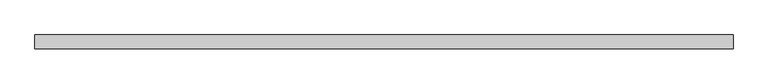
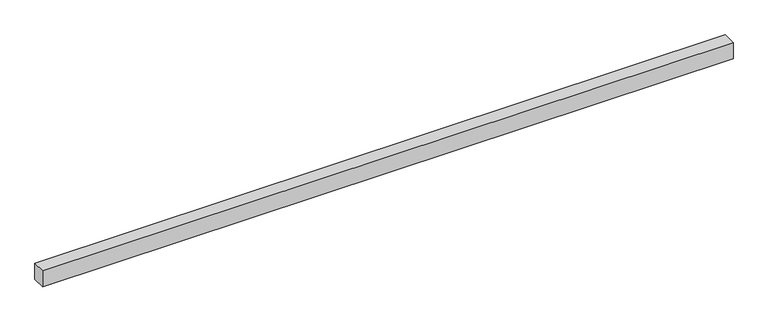
"""IFC4 building model written with IfcOpenShell, lengths in millimetres: proxy geometry."""

from ifc_helpers import new_model, si_unit, origin, origin_with_axes, place, context, project, spatial, polyline, outline, extrude, source, transform, mapped, element, save


def generic_models_79d04e28(model_context):
    return source(origin(), model_context, "Body", "SweptSolid", [
        extrude(outline(polyline([(4050.0505063, -40.0), (0.0, -40.0), (0.0, 40.0), (4050.0505063, 40.0), (4050.0505063, -40.0)])), origin_with_axes(), (0.0, 0.0, 1.0), 100.0),
    ])


if __name__ == "__main__":
    model = new_model("IFC4")
    model_context = context("Model", 3, world=origin())
    ifc_project = project(units=[si_unit("LENGTHUNIT", "METRE", prefix="MILLI")], contexts=[model_context])
    site = spatial("IfcSite", under=ifc_project)
    building = spatial("IfcBuilding", under=site)
    placement = place(None, origin())
    generic_models_shape = generic_models_79d04e28(model_context)
    element("IfcBuildingElementProxy", 1, Name="Generic Models", at=placement, inside=building, context=model_context, shape_type="MappedRepresentation", body=[
        mapped(generic_models_shape, transform((0.0, 0.0, 0.0), x_axis=(1.0, 0.0, 0.0), y_axis=(0.0, 1.0, 0.0), z_axis=(0.0, 0.0, 1.0))),
    ])
    save(model, "model.ifc")
